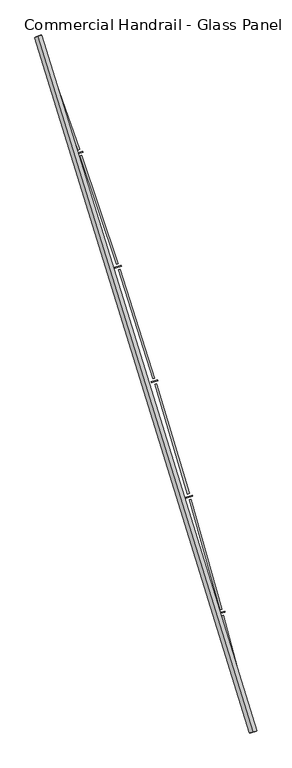
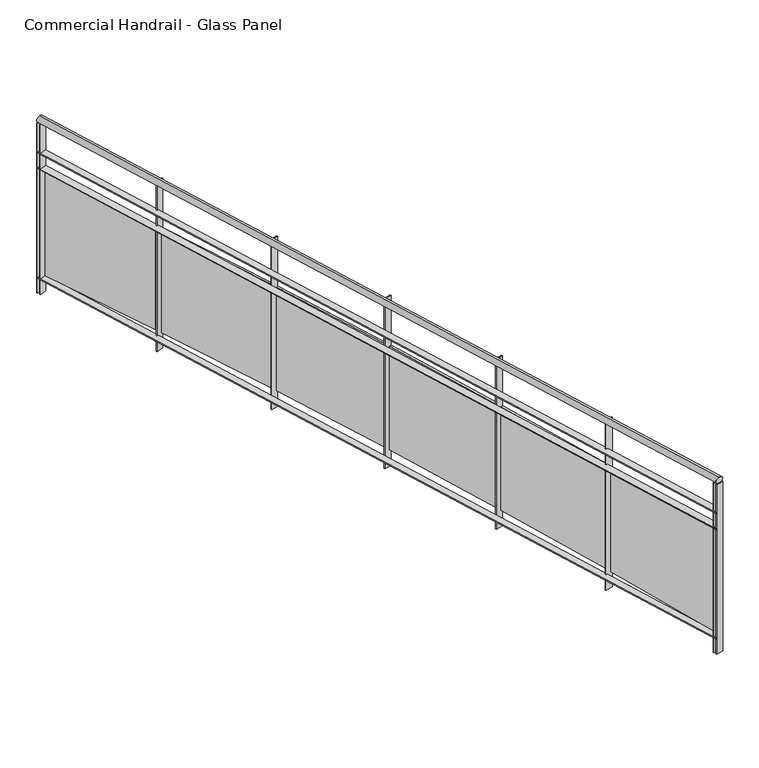
"""IFC4 building model written with IfcOpenShell, lengths in millimetres: railing geometry, Commercial Handrail - Glass Panel."""

from ifc_helpers import new_model, si_unit, point, frame, origin, place, context, project, spatial, polyline, circle_curve, ellipse_curve, trimmed, outline, extrude, source, transform, mapped, element, save
from ifc_brep_helpers import plane_surface, cylinder_surface, revolved_surface, advanced_brep


def commercial_handrail_glass_panel_7956ac4a(model_context):
    return source(origin(), model_context, "Body", "SolidModel", [
        advanced_brep(
        [(180775.6028582, -41782.2225015, 12882.5), (179346.0628414, -37160.8311359, 12882.5), (179346.0628414, -37160.8311359, 12917.5), (180775.6028582, -41782.2225015, 12917.5)],
        [
            (0, 1, circle_curve(frame((134505.1876621, -53563.3040857, 12882.5), z_axis=(0.0, 0.0, 1.0), x_axis=(0.9391412678699065, 0.3435311906999195, 0.0)), 47746.6774311)),
            (1, 2, ellipse_curve(frame((179346.0628414, -37160.8311359, 12900.0), z_axis=(0.34353119069991367, -0.9391412678699088, 0.0), x_axis=(-0.9391412678699086, -0.3435311906999136, 0.0)), 25.0, 17.5)),
            (2, 3, circle_curve(frame((134505.1876621, -53563.3040857, 12917.5), z_axis=(0.0, 0.0, -1.0), x_axis=(0.9391412678699065, 0.3435311906999195, 0.0)), 47746.6774311)),
            (3, 0, ellipse_curve(frame((180775.6028582, -41782.2225015, 12900.0), z_axis=(-0.24674139056469277, 0.9690813620033158, 0.0), x_axis=(-0.9690813620033158, -0.24674139056469277, 0.0)), 25.0, 17.5)),
            (2, 1, ellipse_curve(frame((179346.0628414, -37160.8311359, 12900.0), z_axis=(0.34353119069991367, -0.9391412678699088, 0.0), x_axis=(-0.9391412678699086, -0.3435311906999136, 0.0)), 25.0, 17.5)),
            (0, 3, ellipse_curve(frame((180775.6028582, -41782.2225015, 12900.0), z_axis=(-0.24674139056469277, 0.9690813620033158, 0.0), x_axis=(-0.9690813620033158, -0.24674139056469277, 0.0)), 25.0, 17.5)),
        ],
        [
            revolved_surface(trimmed(ellipse_curve(frame((179346.0628414, -37160.8311359, 12900.0), z_axis=(-0.3435311906999195, 0.9391412678699065, 0.0), x_axis=(0.0, 0.0, -1.0)), 17.5, 25.0), [point((179346.0628414, -37160.8311359, 12917.5))], [point((179346.0628414, -37160.8311359, 12882.5))], True, "CARTESIAN"), (134505.1876621, -53563.3040857, 12900.0), (0.0, 0.0, -1.0)),
            revolved_surface(trimmed(ellipse_curve(frame((179346.0628414, -37160.8311359, 12900.0), z_axis=(-0.3435311906999195, 0.9391412678699065, 0.0), x_axis=(0.0, 0.0, -1.0)), 17.5, 25.0), [point((179346.0628414, -37160.8311359, 12882.5))], [point((179346.0628414, -37160.8311359, 12917.5))], True, "CARTESIAN"), (134505.1876621, -53563.3040857, 12900.0), (0.0, 0.0, -1.0)),
            plane_surface(frame((179346.0628414, -37160.8311359, 12900.0), z_axis=(-0.3435311906999195, 0.9391412678699065, 0.0), x_axis=(0.9391412678699065, 0.3435311906999195, 0.0))),
            plane_surface(frame((180775.6028582, -41782.2225015, 12900.0), z_axis=(0.24674139056469271, -0.9690813620033158, 0.0), x_axis=(0.9690813620033158, 0.24674139056469271, 0.0))),
        ],
        [
            (0, [[1, 2, 3, 4]]),
            (1, [[-3, 5, -1, 6]]),
            (2, [[-2, -5]]),
            (3, [[-6, -4]]),
        ],
    ),
        advanced_brep(
        [(180797.4071889, -41776.6708203, 12700.0), (179367.1935199, -37153.1016841, 12700.0), (179324.9321629, -37168.5605877, 12700.0), (180753.7985276, -41787.7741828, 12700.0), (180797.4071889, -41776.6708203, 12694.0), (179367.1935199, -37153.1016841, 12694.0), (180753.7985276, -41787.7741828, 12694.0), (179324.9321629, -37168.5605877, 12694.0)],
        [
            (0, 1, circle_curve(frame((134505.1876621, -53563.3040857, 12700.0), z_axis=(0.0, 0.0, 1.0), x_axis=(0.9391412678699065, 0.3435311906999195, 0.0)), 47769.1774311)),
            (1, 2),
            (2, 3, circle_curve(frame((134505.1876621, -53563.3040857, 12700.0), z_axis=(0.0, 0.0, -1.0), x_axis=(0.9391412678699065, 0.3435311906999195, 0.0)), 47724.1774311)),
            (3, 0),
            (4, 5, circle_curve(frame((134505.1876621, -53563.3040857, 12694.0), z_axis=(0.0, 0.0, 1.0), x_axis=(0.9391412678699065, 0.3435311906999195, 0.0)), 47769.1774311)),
            (5, 1),
            (0, 4),
            (6, 7, circle_curve(frame((134505.1876621, -53563.3040857, 12694.0), z_axis=(0.0, 0.0, 1.0), x_axis=(0.9391412678699065, 0.3435311906999195, 0.0)), 47724.1774311)),
            (7, 5),
            (4, 6),
            (2, 7),
            (6, 3),
        ],
        [
            plane_surface(frame((134505.1876621, -53563.3040857, 12700.0), z_axis=(0.0, 0.0, 1.0), x_axis=(0.9391412678699065, 0.3435311906999195, 0.0))),
            cylinder_surface(frame((134505.1876621, -53563.3040857, 12700.0), z_axis=(0.0, 0.0, -1.0), x_axis=(0.9391412678699065, 0.3435311906999195, 0.0)), 47769.1774311),
            plane_surface(frame((134505.1876621, -53563.3040857, 12694.0), z_axis=(0.0, 0.0, -1.0), x_axis=(0.9391412678699065, 0.3435311906999195, 0.0))),
            revolved_surface(polyline([(179324.93216279164, -37168.56058762, 12694.0), (179324.93216279164, -37168.56058762, 12700.0)]), (134505.1876621, -53563.3040857, 12700.0), (0.0, 0.0, -1.0)),
            plane_surface(frame((179346.0628414, -37160.8311359, 12700.0), z_axis=(-0.3435311906999195, 0.9391412678699065, 0.0), x_axis=(0.9391412678699065, 0.3435311906999195, 0.0))),
            plane_surface(frame((180775.6028582, -41782.2225015, 12700.0), z_axis=(0.24674139056469271, -0.9690813620033158, 0.0), x_axis=(0.9690813620033158, 0.24674139056469271, 0.0))),
        ],
        [
            (0, [[1, 2, 3, 4]]),
            (1, [[5, 6, -1, 7]]),
            (2, [[8, 9, -5, 10]]),
            (3, [[-3, 11, -8, 12]]),
            (4, [[-2, -6, -9, -11]]),
            (5, [[-12, -10, -7, -4]]),
        ],
    ),
        advanced_brep(
        [(180797.4071889, -41776.6708203, 12600.0), (179367.1935199, -37153.1016841, 12600.0), (179324.9321629, -37168.5605877, 12600.0), (180753.7985276, -41787.7741828, 12600.0), (180797.4071889, -41776.6708203, 12594.0), (179367.1935199, -37153.1016841, 12594.0), (180753.7985276, -41787.7741828, 12594.0), (179324.9321629, -37168.5605877, 12594.0)],
        [
            (0, 1, circle_curve(frame((134505.1876621, -53563.3040857, 12600.0), z_axis=(0.0, 0.0, 1.0), x_axis=(0.9391412678699065, 0.3435311906999195, 0.0)), 47769.1774311)),
            (1, 2),
            (2, 3, circle_curve(frame((134505.1876621, -53563.3040857, 12600.0), z_axis=(0.0, 0.0, -1.0), x_axis=(0.9391412678699065, 0.3435311906999195, 0.0)), 47724.1774311)),
            (3, 0),
            (4, 5, circle_curve(frame((134505.1876621, -53563.3040857, 12594.0), z_axis=(0.0, 0.0, 1.0), x_axis=(0.9391412678699065, 0.3435311906999195, 0.0)), 47769.1774311)),
            (5, 1),
            (0, 4),
            (6, 7, circle_curve(frame((134505.1876621, -53563.3040857, 12594.0), z_axis=(0.0, 0.0, 1.0), x_axis=(0.9391412678699065, 0.3435311906999195, 0.0)), 47724.1774311)),
            (7, 5),
            (4, 6),
            (2, 7),
            (6, 3),
        ],
        [
            plane_surface(frame((134505.1876621, -53563.3040857, 12600.0), z_axis=(0.0, 0.0, 1.0), x_axis=(0.9391412678699065, 0.3435311906999195, 0.0))),
            cylinder_surface(frame((134505.1876621, -53563.3040857, 12600.0), z_axis=(0.0, 0.0, -1.0), x_axis=(0.9391412678699065, 0.3435311906999195, 0.0)), 47769.1774311),
            plane_surface(frame((134505.1876621, -53563.3040857, 12594.0), z_axis=(0.0, 0.0, -1.0), x_axis=(0.9391412678699065, 0.3435311906999195, 0.0))),
            revolved_surface(polyline([(179324.93216279164, -37168.56058762, 12594.0), (179324.93216279164, -37168.56058762, 12600.0)]), (134505.1876621, -53563.3040857, 12600.0), (0.0, 0.0, -1.0)),
            plane_surface(frame((179346.0628414, -37160.8311359, 12600.0), z_axis=(-0.3435311906999195, 0.9391412678699065, 0.0), x_axis=(0.9391412678699065, 0.3435311906999195, 0.0))),
            plane_surface(frame((180775.6028582, -41782.2225015, 12600.0), z_axis=(0.24674139056469271, -0.9690813620033158, 0.0), x_axis=(0.9690813620033158, 0.24674139056469271, 0.0))),
        ],
        [
            (0, [[1, 2, 3, 4]]),
            (1, [[5, 6, -1, 7]]),
            (2, [[8, 9, -5, 10]]),
            (3, [[-3, 11, -8, 12]]),
            (4, [[-2, -6, -9, -11]]),
            (5, [[-12, -10, -7, -4]]),
        ],
    ),
        advanced_brep(
        [(180797.4071889, -41776.6708203, 11900.0), (179367.1935199, -37153.1016841, 11900.0), (179324.9321629, -37168.5605877, 11900.0), (180753.7985276, -41787.7741828, 11900.0), (180797.4071889, -41776.6708203, 11894.0), (179367.1935199, -37153.1016841, 11894.0), (180753.7985276, -41787.7741828, 11894.0), (179324.9321629, -37168.5605877, 11894.0)],
        [
            (0, 1, circle_curve(frame((134505.1876621, -53563.3040857, 11900.0), z_axis=(0.0, 0.0, 1.0), x_axis=(0.9391412678699065, 0.3435311906999195, 0.0)), 47769.1774311)),
            (1, 2),
            (2, 3, circle_curve(frame((134505.1876621, -53563.3040857, 11900.0), z_axis=(0.0, 0.0, -1.0), x_axis=(0.9391412678699065, 0.3435311906999195, 0.0)), 47724.1774311)),
            (3, 0),
            (4, 5, circle_curve(frame((134505.1876621, -53563.3040857, 11894.0), z_axis=(0.0, 0.0, 1.0), x_axis=(0.9391412678699065, 0.3435311906999195, 0.0)), 47769.1774311)),
            (5, 1),
            (0, 4),
            (6, 7, circle_curve(frame((134505.1876621, -53563.3040857, 11894.0), z_axis=(0.0, 0.0, 1.0), x_axis=(0.9391412678699065, 0.3435311906999195, 0.0)), 47724.1774311)),
            (7, 5),
            (4, 6),
            (2, 7),
            (6, 3),
        ],
        [
            plane_surface(frame((134505.1876621, -53563.3040857, 11900.0), z_axis=(0.0, 0.0, 1.0), x_axis=(0.9391412678699065, 0.3435311906999195, 0.0))),
            cylinder_surface(frame((134505.1876621, -53563.3040857, 11900.0), z_axis=(0.0, 0.0, -1.0), x_axis=(0.9391412678699065, 0.3435311906999195, 0.0)), 47769.1774311),
            plane_surface(frame((134505.1876621, -53563.3040857, 11894.0), z_axis=(0.0, 0.0, -1.0), x_axis=(0.9391412678699065, 0.3435311906999195, 0.0))),
            revolved_surface(polyline([(179324.93216279164, -37168.56058762, 11894.0), (179324.93216279164, -37168.56058762, 11900.0)]), (134505.1876621, -53563.3040857, 11900.0), (0.0, 0.0, -1.0)),
            plane_surface(frame((179346.0628414, -37160.8311359, 11900.0), z_axis=(-0.3435311906999195, 0.9391412678699065, 0.0), x_axis=(0.9391412678699065, 0.3435311906999195, 0.0))),
            plane_surface(frame((180775.6028582, -41782.2225015, 11900.0), z_axis=(0.24674139056469271, -0.9690813620033158, 0.0), x_axis=(0.9690813620033158, 0.24674139056469271, 0.0))),
        ],
        [
            (0, [[1, 2, 3, 4]]),
            (1, [[5, 6, -1, 7]]),
            (2, [[8, 9, -5, 10]]),
            (3, [[-3, 11, -8, 12]]),
            (4, [[-2, -6, -9, -11]]),
            (5, [[-12, -10, -7, -4]]),
        ],
    ),
        extrude(outline(polyline([(180748.1806794, -41765.7315693), (180791.7847427, -41754.6101634), (180793.2675968, -41760.4240385), (180749.6635336, -41771.5454444), (180748.1806794, -41765.7315693)])), frame((0.0, 0.0, 11800.0), z_axis=(0.0, 0.0, 1.0), x_axis=(1.0, 0.0, 0.0)), (0.0, 0.0, 1.0), 1082.1192282),
        extrude(outline(polyline([(180579.0506002, -41006.960836), (180773.041554, -41741.7856518), (180761.4390569, -41744.8486668), (180567.4481031, -41010.0238511), (180579.0506002, -41006.960836)])), frame((0.0, 0.0, 11920.0), z_axis=(0.0, 0.0, 1.0), x_axis=(1.0, 0.0, 0.0)), (0.0, 0.0, 1.0), 660.0),
        extrude(outline(polyline([(180544.0296903, -40992.6181386), (180587.4413017, -40980.7677378), (180589.0213551, -40986.5559526), (180545.6097438, -40998.4063534), (180544.0296903, -40992.6181386)])), frame((0.0, 0.0, 11800.0), z_axis=(0.0, 0.0, 1.0), x_axis=(1.0, 0.0, 0.0)), (0.0, 0.0, 1.0), 1082.1192282),
        extrude(outline(polyline([(180362.2106717, -40236.7875664), (180568.485878, -40968.2590554), (180556.9363282, -40971.5160323), (180350.6611219, -40240.0445433), (180362.2106717, -40236.7875664)])), frame((0.0, 0.0, 11920.0), z_axis=(0.0, 0.0, 1.0), x_axis=(1.0, 0.0, 0.0)), (0.0, 0.0, 1.0), 660.0),
        extrude(outline(polyline([(180326.9543755, -40223.0336333), (180370.1613482, -40210.4575643), (180371.8381574, -40216.218494), (180328.6311847, -40228.794563), (180326.9543755, -40223.0336333)])), frame((0.0, 0.0, 11800.0), z_axis=(0.0, 0.0, 1.0), x_axis=(1.0, 0.0, 0.0)), (0.0, 0.0, 1.0), 1082.1192282),
        extrude(outline(polyline([(180132.4974589, -39470.3554039), (180350.9990108, -40198.2682227), (180339.5056505, -40201.7182472), (180121.0040986, -39473.8054284), (180132.4974589, -39470.3554039)])), frame((0.0, 0.0, 11920.0), z_axis=(0.0, 0.0, 1.0), x_axis=(1.0, 0.0, 0.0)), (0.0, 0.0, 1.0), 660.0),
        extrude(outline(polyline([(180097.0156738, -39457.1940962), (180140.0058784, -39443.8958894), (180141.7789726, -39449.6279167), (180098.788768, -39462.9261235), (180097.0156738, -39457.1940962)])), frame((0.0, 0.0, 11800.0), z_axis=(0.0, 0.0, 1.0), x_axis=(1.0, 0.0, 0.0)), (0.0, 0.0, 1.0), 1082.1192282),
        extrude(outline(polyline([(179889.9754484, -38707.8795063), (180120.6420068, -39432.0293105), (180109.2080625, -39435.6714141), (179878.5415042, -38711.5216099), (179889.9754484, -38707.8795063)])), frame((0.0, 0.0, 11920.0), z_axis=(0.0, 0.0, 1.0), x_axis=(1.0, 0.0, 0.0)), (0.0, 0.0, 1.0), 660.0),
        extrude(outline(polyline([(179854.278135, -38695.3145188), (179897.0395032, -38681.2979075), (179898.9083847, -38686.9994232), (179856.1470165, -38701.0160346), (179854.278135, -38695.3145188)])), frame((0.0, 0.0, 11800.0), z_axis=(0.0, 0.0, 1.0), x_axis=(1.0, 0.0, 0.0)), (0.0, 0.0, 1.0), 1082.1192282),
        extrude(outline(polyline([(179634.7127226, -37949.5739211), (179877.4795332, -38669.7574225), (179866.1082147, -38673.5905826), (179623.3414042, -37953.4070812), (179634.7127226, -37949.5739211)])), frame((0.0, 0.0, 11920.0), z_axis=(0.0, 0.0, 1.0), x_axis=(1.0, 0.0, 0.0)), (0.0, 0.0, 1.0), 660.0),
        extrude(outline(polyline([(179598.8099021, -37937.608781), (179641.3304295, -37922.8776999), (179643.2945737, -37928.5471036), (179600.7740463, -37943.2781847), (179598.8099021, -37937.608781)])), frame((0.0, 0.0, 11800.0), z_axis=(0.0, 0.0, 1.0), x_axis=(1.0, 0.0, 0.0)), (0.0, 0.0, 1.0), 1082.1192282),
        extrude(outline(polyline([(179366.7809405, -37195.6515245), (179621.5798522, -37911.6665486), (179610.2743518, -37915.6896893), (179355.4754402, -37199.6746652), (179366.7809405, -37195.6515245)])), frame((0.0, 0.0, 11920.0), z_axis=(0.0, 0.0, 1.0), x_axis=(1.0, 0.0, 0.0)), (0.0, 0.0, 1.0), 660.0),
        extrude(outline(polyline([(179330.6826918, -37184.2895909), (179372.9504418, -37168.8481755), (179375.0092972, -37174.4838755), (179332.7415472, -37189.9252909), (179330.6826918, -37184.2895909)])), frame((0.0, 0.0, 11800.0), z_axis=(0.0, 0.0, 1.0), x_axis=(1.0, 0.0, 0.0)), (0.0, 0.0, 1.0), 1082.1192282),
        extrude(outline(polyline([(180753.0583034, -41784.8669387), (180796.6669647, -41773.7635762), (180798.147413, -41779.5780643), (180754.5387518, -41790.6814269), (180753.0583034, -41784.8669387)])), frame((0.0, 0.0, 11800.0), z_axis=(0.0, 0.0, 1.0), x_axis=(1.0, 0.0, 0.0)), (0.0, 0.0, 1.0), 1082.1192282),
        extrude(outline(polyline([(179323.9015693, -37165.7431638), (179366.1629263, -37150.2842603), (179368.2241135, -37155.9191079), (179325.9627564, -37171.3780115), (179323.9015693, -37165.7431638)])), frame((0.0, 0.0, 11800.0), z_axis=(0.0, 0.0, 1.0), x_axis=(1.0, 0.0, 0.0)), (0.0, 0.0, 1.0), 1082.1192282),
    ])


if __name__ == "__main__":
    model = new_model("IFC4")
    model_context = context("Model", 3, world=origin())
    ifc_project = project(units=[si_unit("LENGTHUNIT", "METRE", prefix="MILLI")], contexts=[model_context])
    site = spatial("IfcSite", under=ifc_project)
    building = spatial("IfcBuilding", under=site)
    placement = place(None, origin())
    commercial_handrail_glass_panel_shape = commercial_handrail_glass_panel_7956ac4a(model_context)
    element("IfcRailing", 1, ObjectType="Commercial Handrail - Glass Panel", at=placement, inside=building, context=model_context, shape_type="MappedRepresentation", body=[
        mapped(commercial_handrail_glass_panel_shape, transform((0.0, 0.0, 0.0), x_axis=(1.0, 0.0, 0.0), y_axis=(0.0, 1.0, 0.0), z_axis=(0.0, 0.0, 1.0))),
    ])
    save(model, "model.ifc")
